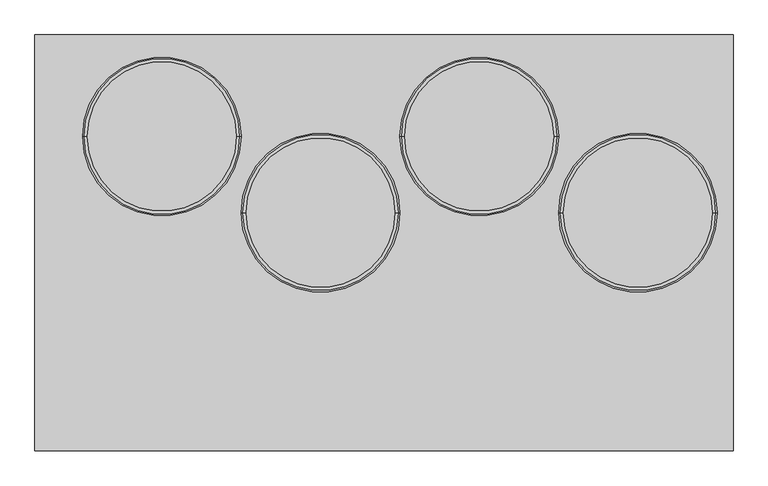
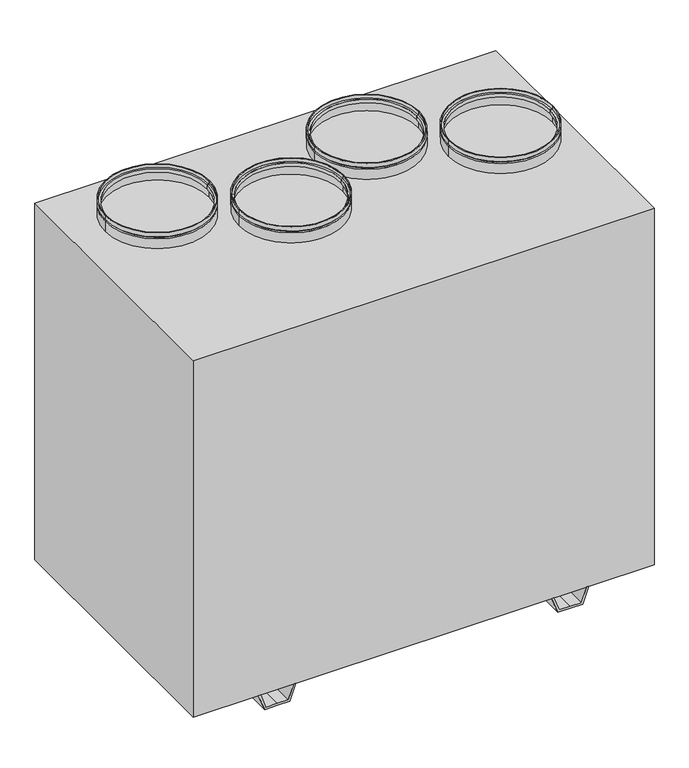
"""IFC4 building model written with IfcOpenShell, lengths in millimetres: proxy geometry."""

from ifc_helpers import new_model, si_unit, frame, origin, place, context, project, spatial, polyline, circle_curve, outline, extrude, source, transform, mapped, element, save
from ifc_brep_helpers import plane_surface, cylinder_surface, revolved_surface, advanced_brep


def mechanical_equipment_a4d120f9(model_context):
    return source(origin(), model_context, "Body", "SolidModel", [
        advanced_brep(
        [(525.0, 47.5, 970.0), (275.0, 47.5, 970.0), (275.0, 47.5, 980.0), (525.0, 47.5, 980.0), (520.0, 47.5, 970.0), (280.0, 47.5, 970.0), (520.0, 47.5, 965.0), (280.0, 47.5, 965.0), (525.0, 47.5, 965.0), (275.0, 47.5, 965.0), (525.0, 47.5, 940.0), (275.0, 47.5, 940.0), (523.0, 47.5, 940.0), (277.0, 47.5, 940.0), (523.0, 47.5, 963.0), (277.0, 47.5, 963.0), (518.0, 47.5, 963.0), (282.0, 47.5, 963.0), (518.0, 47.5, 972.0), (282.0, 47.5, 972.0), (523.0, 47.5, 972.0), (277.0, 47.5, 972.0), (523.0, 47.5, 980.0), (277.0, 47.5, 980.0)],
        [
            (0, 1, circle_curve(frame((400.0, 47.5, 970.0), z_axis=(0.0, 0.0, 1.0), x_axis=(-1.0, 0.0, 0.0)), 125.0)),
            (1, 2),
            (2, 3, circle_curve(frame((400.0, 47.5, 980.0), z_axis=(0.0, 0.0, -1.0), x_axis=(-1.0, 0.0, 0.0)), 125.0)),
            (3, 0),
            (1, 0, circle_curve(frame((400.0, 47.5, 970.0), z_axis=(0.0, 0.0, 1.0), x_axis=(-1.0, 0.0, 0.0)), 125.0)),
            (3, 2, circle_curve(frame((400.0, 47.5, 980.0), z_axis=(0.0, 0.0, -1.0), x_axis=(-1.0, 0.0, 0.0)), 125.0)),
            (4, 5, circle_curve(frame((400.0, 47.5, 970.0), z_axis=(0.0, 0.0, 1.0), x_axis=(-1.0, 0.0, 0.0)), 120.0)),
            (5, 1),
            (0, 4),
            (5, 4, circle_curve(frame((400.0, 47.5, 970.0), z_axis=(0.0, 0.0, 1.0), x_axis=(-1.0, 0.0, 0.0)), 120.0)),
            (6, 7, circle_curve(frame((400.0, 47.5, 965.0), z_axis=(0.0, 0.0, 1.0), x_axis=(-1.0, 0.0, 0.0)), 120.0)),
            (7, 5),
            (4, 6),
            (7, 6, circle_curve(frame((400.0, 47.5, 965.0), z_axis=(0.0, 0.0, 1.0), x_axis=(-1.0, 0.0, 0.0)), 120.0)),
            (8, 9, circle_curve(frame((400.0, 47.5, 965.0), z_axis=(0.0, 0.0, 1.0), x_axis=(-1.0, 0.0, 0.0)), 125.0)),
            (9, 7),
            (6, 8),
            (9, 8, circle_curve(frame((400.0, 47.5, 965.0), z_axis=(0.0, 0.0, 1.0), x_axis=(-1.0, 0.0, 0.0)), 125.0)),
            (10, 11, circle_curve(frame((400.0, 47.5, 940.0), z_axis=(0.0, 0.0, 1.0), x_axis=(-1.0, 0.0, 0.0)), 125.0)),
            (11, 9),
            (8, 10),
            (11, 10, circle_curve(frame((400.0, 47.5, 940.0), z_axis=(0.0, 0.0, 1.0), x_axis=(-1.0, 0.0, 0.0)), 125.0)),
            (12, 13, circle_curve(frame((400.0, 47.5, 940.0), z_axis=(0.0, 0.0, 1.0), x_axis=(-1.0, 0.0, 0.0)), 123.0)),
            (13, 11),
            (10, 12),
            (13, 12, circle_curve(frame((400.0, 47.5, 940.0), z_axis=(0.0, 0.0, 1.0), x_axis=(-1.0, 0.0, 0.0)), 123.0)),
            (14, 15, circle_curve(frame((400.0, 47.5, 963.0), z_axis=(0.0, 0.0, 1.0), x_axis=(-1.0, 0.0, 0.0)), 123.0)),
            (15, 13),
            (12, 14),
            (15, 14, circle_curve(frame((400.0, 47.5, 963.0), z_axis=(0.0, 0.0, 1.0), x_axis=(-1.0, 0.0, 0.0)), 123.0)),
            (16, 17, circle_curve(frame((400.0, 47.5, 963.0), z_axis=(0.0, 0.0, 1.0), x_axis=(-1.0, 0.0, 0.0)), 118.0)),
            (17, 15),
            (14, 16),
            (17, 16, circle_curve(frame((400.0, 47.5, 963.0), z_axis=(0.0, 0.0, 1.0), x_axis=(-1.0, 0.0, 0.0)), 118.0)),
            (18, 19, circle_curve(frame((400.0, 47.5, 972.0), z_axis=(0.0, 0.0, 1.0), x_axis=(-1.0, 0.0, 0.0)), 118.0)),
            (19, 17),
            (16, 18),
            (19, 18, circle_curve(frame((400.0, 47.5, 972.0), z_axis=(0.0, 0.0, 1.0), x_axis=(-1.0, 0.0, 0.0)), 118.0)),
            (20, 21, circle_curve(frame((400.0, 47.5, 972.0), z_axis=(0.0, 0.0, 1.0), x_axis=(-1.0, 0.0, 0.0)), 123.0)),
            (21, 19),
            (18, 20),
            (21, 20, circle_curve(frame((400.0, 47.5, 972.0), z_axis=(0.0, 0.0, 1.0), x_axis=(-1.0, 0.0, 0.0)), 123.0)),
            (22, 23, circle_curve(frame((400.0, 47.5, 980.0), z_axis=(0.0, 0.0, 1.0), x_axis=(-1.0, 0.0, 0.0)), 123.0)),
            (23, 21),
            (20, 22),
            (23, 22, circle_curve(frame((400.0, 47.5, 980.0), z_axis=(0.0, 0.0, 1.0), x_axis=(-1.0, 0.0, 0.0)), 123.0)),
            (2, 23),
            (22, 3),
        ],
        [
            cylinder_surface(frame((400.0, 47.5, 2515.0440172), z_axis=(0.0, 0.0, -1.0), x_axis=(-1.0, 0.0, 0.0)), 125.0),
            plane_surface(frame((400.0, 47.5, 970.0), z_axis=(0.0, 0.0, -1.0), x_axis=(-1.0, 0.0, 0.0))),
            cylinder_surface(frame((400.0, 47.5, 2515.0440172), z_axis=(0.0, 0.0, -1.0), x_axis=(-1.0, 0.0, 0.0)), 120.0),
            plane_surface(frame((400.0, 47.5, 965.0), z_axis=(0.0, 0.0, 1.0), x_axis=(-1.0, 0.0, 0.0))),
            plane_surface(frame((400.0, 47.5, 940.0), z_axis=(0.0, 0.0, -1.0), x_axis=(-1.0, 0.0, 0.0))),
            revolved_surface(polyline([(277.0, 47.5, 940.0), (277.0, 47.5, 963.0)]), (400.0, 47.5, 2515.0440172), (0.0, 0.0, -1.0)),
            plane_surface(frame((400.0, 47.5, 963.0), z_axis=(0.0, 0.0, -1.0), x_axis=(-1.0, 0.0, 0.0))),
            revolved_surface(polyline([(282.0, 47.5, 963.0), (282.0, 47.5, 972.0)]), (400.0, 47.5, 2515.0440172), (0.0, 0.0, -1.0)),
            plane_surface(frame((400.0, 47.5, 972.0), z_axis=(0.0, 0.0, 1.0), x_axis=(-1.0, 0.0, 0.0))),
            revolved_surface(polyline([(277.0, 47.5, 972.0), (277.0, 47.5, 980.0)]), (400.0, 47.5, 2515.0440172), (0.0, 0.0, -1.0)),
            plane_surface(frame((400.0, 47.5, 980.0), z_axis=(0.0, 0.0, 1.0), x_axis=(-1.0, 0.0, 0.0))),
        ],
        [
            (0, [[1, 2, 3, 4]]),
            (0, [[5, -4, 6, -2]]),
            (1, [[7, 8, -1, 9]]),
            (1, [[10, -9, -5, -8]]),
            (2, [[11, 12, -7, 13]]),
            (2, [[14, -13, -10, -12]]),
            (3, [[15, 16, -11, 17]]),
            (3, [[18, -17, -14, -16]]),
            (0, [[19, 20, -15, 21]]),
            (0, [[22, -21, -18, -20]]),
            (4, [[23, 24, -19, 25]]),
            (4, [[26, -25, -22, -24]]),
            (5, [[27, 28, -23, 29]]),
            (5, [[30, -29, -26, -28]]),
            (6, [[31, 32, -27, 33]]),
            (6, [[34, -33, -30, -32]]),
            (7, [[35, 36, -31, 37]]),
            (7, [[38, -37, -34, -36]]),
            (8, [[39, 40, -35, 41]]),
            (8, [[42, -41, -38, -40]]),
            (9, [[43, 44, -39, 45]]),
            (9, [[46, -45, -42, -44]]),
            (10, [[-3, 47, -43, 48]]),
            (10, [[-6, -48, -46, -47]]),
        ],
    ),
        advanced_brep(
        [(275.0, 167.5, 970.0), (25.0, 167.5, 970.0), (25.0, 167.5, 980.0), (275.0, 167.5, 980.0), (270.0, 167.5, 970.0), (30.0, 167.5, 970.0), (270.0, 167.5, 965.0), (30.0, 167.5, 965.0), (275.0, 167.5, 965.0), (25.0, 167.5, 965.0), (275.0, 167.5, 940.0), (25.0, 167.5, 940.0), (273.0, 167.5, 940.0), (27.0, 167.5, 940.0), (273.0, 167.5, 963.0), (27.0, 167.5, 963.0), (268.0, 167.5, 963.0), (32.0, 167.5, 963.0), (268.0, 167.5, 972.0), (32.0, 167.5, 972.0), (273.0, 167.5, 972.0), (27.0, 167.5, 972.0), (273.0, 167.5, 980.0), (27.0, 167.5, 980.0)],
        [
            (0, 1, circle_curve(frame((150.0, 167.5, 970.0), z_axis=(0.0, 0.0, 1.0), x_axis=(-1.0, 0.0, 0.0)), 125.0)),
            (1, 2),
            (2, 3, circle_curve(frame((150.0, 167.5, 980.0), z_axis=(0.0, 0.0, -1.0), x_axis=(-1.0, 0.0, 0.0)), 125.0)),
            (3, 0),
            (1, 0, circle_curve(frame((150.0, 167.5, 970.0), z_axis=(0.0, 0.0, 1.0), x_axis=(-1.0, 0.0, 0.0)), 125.0)),
            (3, 2, circle_curve(frame((150.0, 167.5, 980.0), z_axis=(0.0, 0.0, -1.0), x_axis=(-1.0, 0.0, 0.0)), 125.0)),
            (4, 5, circle_curve(frame((150.0, 167.5, 970.0), z_axis=(0.0, 0.0, 1.0), x_axis=(-1.0, 0.0, 0.0)), 120.0)),
            (5, 1),
            (0, 4),
            (5, 4, circle_curve(frame((150.0, 167.5, 970.0), z_axis=(0.0, 0.0, 1.0), x_axis=(-1.0, 0.0, 0.0)), 120.0)),
            (6, 7, circle_curve(frame((150.0, 167.5, 965.0), z_axis=(0.0, 0.0, 1.0), x_axis=(-1.0, 0.0, 0.0)), 120.0)),
            (7, 5),
            (4, 6),
            (7, 6, circle_curve(frame((150.0, 167.5, 965.0), z_axis=(0.0, 0.0, 1.0), x_axis=(-1.0, 0.0, 0.0)), 120.0)),
            (8, 9, circle_curve(frame((150.0, 167.5, 965.0), z_axis=(0.0, 0.0, 1.0), x_axis=(-1.0, 0.0, 0.0)), 125.0)),
            (9, 7),
            (6, 8),
            (9, 8, circle_curve(frame((150.0, 167.5, 965.0), z_axis=(0.0, 0.0, 1.0), x_axis=(-1.0, 0.0, 0.0)), 125.0)),
            (10, 11, circle_curve(frame((150.0, 167.5, 940.0), z_axis=(0.0, 0.0, 1.0), x_axis=(-1.0, 0.0, 0.0)), 125.0)),
            (11, 9),
            (8, 10),
            (11, 10, circle_curve(frame((150.0, 167.5, 940.0), z_axis=(0.0, 0.0, 1.0), x_axis=(-1.0, 0.0, 0.0)), 125.0)),
            (12, 13, circle_curve(frame((150.0, 167.5, 940.0), z_axis=(0.0, 0.0, 1.0), x_axis=(-1.0, 0.0, 0.0)), 123.0)),
            (13, 11),
            (10, 12),
            (13, 12, circle_curve(frame((150.0, 167.5, 940.0), z_axis=(0.0, 0.0, 1.0), x_axis=(-1.0, 0.0, 0.0)), 123.0)),
            (14, 15, circle_curve(frame((150.0, 167.5, 963.0), z_axis=(0.0, 0.0, 1.0), x_axis=(-1.0, 0.0, 0.0)), 123.0)),
            (15, 13),
            (12, 14),
            (15, 14, circle_curve(frame((150.0, 167.5, 963.0), z_axis=(0.0, 0.0, 1.0), x_axis=(-1.0, 0.0, 0.0)), 123.0)),
            (16, 17, circle_curve(frame((150.0, 167.5, 963.0), z_axis=(0.0, 0.0, 1.0), x_axis=(-1.0, 0.0, 0.0)), 118.0)),
            (17, 15),
            (14, 16),
            (17, 16, circle_curve(frame((150.0, 167.5, 963.0), z_axis=(0.0, 0.0, 1.0), x_axis=(-1.0, 0.0, 0.0)), 118.0)),
            (18, 19, circle_curve(frame((150.0, 167.5, 972.0), z_axis=(0.0, 0.0, 1.0), x_axis=(-1.0, 0.0, 0.0)), 118.0)),
            (19, 17),
            (16, 18),
            (19, 18, circle_curve(frame((150.0, 167.5, 972.0), z_axis=(0.0, 0.0, 1.0), x_axis=(-1.0, 0.0, 0.0)), 118.0)),
            (20, 21, circle_curve(frame((150.0, 167.5, 972.0), z_axis=(0.0, 0.0, 1.0), x_axis=(-1.0, 0.0, 0.0)), 123.0)),
            (21, 19),
            (18, 20),
            (21, 20, circle_curve(frame((150.0, 167.5, 972.0), z_axis=(0.0, 0.0, 1.0), x_axis=(-1.0, 0.0, 0.0)), 123.0)),
            (22, 23, circle_curve(frame((150.0, 167.5, 980.0), z_axis=(0.0, 0.0, 1.0), x_axis=(-1.0, 0.0, 0.0)), 123.0)),
            (23, 21),
            (20, 22),
            (23, 22, circle_curve(frame((150.0, 167.5, 980.0), z_axis=(0.0, 0.0, 1.0), x_axis=(-1.0, 0.0, 0.0)), 123.0)),
            (2, 23),
            (22, 3),
        ],
        [
            cylinder_surface(frame((150.0, 167.5, 2515.0440172), z_axis=(0.0, 0.0, -1.0), x_axis=(-1.0, 0.0, 0.0)), 125.0),
            plane_surface(frame((150.0, 167.5, 970.0), z_axis=(0.0, 0.0, -1.0), x_axis=(-1.0, 0.0, 0.0))),
            cylinder_surface(frame((150.0, 167.5, 2515.0440172), z_axis=(0.0, 0.0, -1.0), x_axis=(-1.0, 0.0, 0.0)), 120.0),
            plane_surface(frame((150.0, 167.5, 965.0), z_axis=(0.0, 0.0, 1.0), x_axis=(-1.0, 0.0, 0.0))),
            plane_surface(frame((150.0, 167.5, 940.0), z_axis=(0.0, 0.0, -1.0), x_axis=(-1.0, 0.0, 0.0))),
            revolved_surface(polyline([(27.0, 167.5, 940.0), (27.0, 167.5, 963.0)]), (150.0, 167.5, 2515.0440172), (0.0, 0.0, -1.0)),
            plane_surface(frame((150.0, 167.5, 963.0), z_axis=(0.0, 0.0, -1.0), x_axis=(-1.0, 0.0, 0.0))),
            revolved_surface(polyline([(32.0, 167.5, 963.0), (32.0, 167.5, 972.0)]), (150.0, 167.5, 2515.0440172), (0.0, 0.0, -1.0)),
            plane_surface(frame((150.0, 167.5, 972.0), z_axis=(0.0, 0.0, 1.0), x_axis=(-1.0, 0.0, 0.0))),
            revolved_surface(polyline([(27.0, 167.5, 972.0), (27.0, 167.5, 980.0)]), (150.0, 167.5, 2515.0440172), (0.0, 0.0, -1.0)),
            plane_surface(frame((150.0, 167.5, 980.0), z_axis=(0.0, 0.0, 1.0), x_axis=(-1.0, 0.0, 0.0))),
        ],
        [
            (0, [[1, 2, 3, 4]]),
            (0, [[5, -4, 6, -2]]),
            (1, [[7, 8, -1, 9]]),
            (1, [[10, -9, -5, -8]]),
            (2, [[11, 12, -7, 13]]),
            (2, [[14, -13, -10, -12]]),
            (3, [[15, 16, -11, 17]]),
            (3, [[18, -17, -14, -16]]),
            (0, [[19, 20, -15, 21]]),
            (0, [[22, -21, -18, -20]]),
            (4, [[23, 24, -19, 25]]),
            (4, [[26, -25, -22, -24]]),
            (5, [[27, 28, -23, 29]]),
            (5, [[30, -29, -26, -28]]),
            (6, [[31, 32, -27, 33]]),
            (6, [[34, -33, -30, -32]]),
            (7, [[35, 36, -31, 37]]),
            (7, [[38, -37, -34, -36]]),
            (8, [[39, 40, -35, 41]]),
            (8, [[42, -41, -38, -40]]),
            (9, [[43, 44, -39, 45]]),
            (9, [[46, -45, -42, -44]]),
            (10, [[-3, 47, -43, 48]]),
            (10, [[-6, -48, -46, -47]]),
        ],
    ),
        advanced_brep(
        [(25.0, 47.5, 970.0), (-225.0, 47.5, 970.0), (-225.0, 47.5, 980.0), (25.0, 47.5, 980.0), (20.0, 47.5, 970.0), (-220.0, 47.5, 970.0), (20.0, 47.5, 965.0), (-220.0, 47.5, 965.0), (25.0, 47.5, 965.0), (-225.0, 47.5, 965.0), (25.0, 47.5, 940.0), (-225.0, 47.5, 940.0), (23.0, 47.5, 940.0), (-223.0, 47.5, 940.0), (23.0, 47.5, 963.0), (-223.0, 47.5, 963.0), (18.0, 47.5, 963.0), (-218.0, 47.5, 963.0), (18.0, 47.5, 972.0), (-218.0, 47.5, 972.0), (23.0, 47.5, 972.0), (-223.0, 47.5, 972.0), (23.0, 47.5, 980.0), (-223.0, 47.5, 980.0)],
        [
            (0, 1, circle_curve(frame((-100.0, 47.5, 970.0), z_axis=(0.0, 0.0, 1.0), x_axis=(-1.0, 0.0, 0.0)), 125.0)),
            (1, 2),
            (2, 3, circle_curve(frame((-100.0, 47.5, 980.0), z_axis=(0.0, 0.0, -1.0), x_axis=(-1.0, 0.0, 0.0)), 125.0)),
            (3, 0),
            (1, 0, circle_curve(frame((-100.0, 47.5, 970.0), z_axis=(0.0, 0.0, 1.0), x_axis=(-1.0, 0.0, 0.0)), 125.0)),
            (3, 2, circle_curve(frame((-100.0, 47.5, 980.0), z_axis=(0.0, 0.0, -1.0), x_axis=(-1.0, 0.0, 0.0)), 125.0)),
            (4, 5, circle_curve(frame((-100.0, 47.5, 970.0), z_axis=(0.0, 0.0, 1.0), x_axis=(-1.0, 0.0, 0.0)), 120.0)),
            (5, 1),
            (0, 4),
            (5, 4, circle_curve(frame((-100.0, 47.5, 970.0), z_axis=(0.0, 0.0, 1.0), x_axis=(-1.0, 0.0, 0.0)), 120.0)),
            (6, 7, circle_curve(frame((-100.0, 47.5, 965.0), z_axis=(0.0, 0.0, 1.0), x_axis=(-1.0, 0.0, 0.0)), 120.0)),
            (7, 5),
            (4, 6),
            (7, 6, circle_curve(frame((-100.0, 47.5, 965.0), z_axis=(0.0, 0.0, 1.0), x_axis=(-1.0, 0.0, 0.0)), 120.0)),
            (8, 9, circle_curve(frame((-100.0, 47.5, 965.0), z_axis=(0.0, 0.0, 1.0), x_axis=(-1.0, 0.0, 0.0)), 125.0)),
            (9, 7),
            (6, 8),
            (9, 8, circle_curve(frame((-100.0, 47.5, 965.0), z_axis=(0.0, 0.0, 1.0), x_axis=(-1.0, 0.0, 0.0)), 125.0)),
            (10, 11, circle_curve(frame((-100.0, 47.5, 940.0), z_axis=(0.0, 0.0, 1.0), x_axis=(-1.0, 0.0, 0.0)), 125.0)),
            (11, 9),
            (8, 10),
            (11, 10, circle_curve(frame((-100.0, 47.5, 940.0), z_axis=(0.0, 0.0, 1.0), x_axis=(-1.0, 0.0, 0.0)), 125.0)),
            (12, 13, circle_curve(frame((-100.0, 47.5, 940.0), z_axis=(0.0, 0.0, 1.0), x_axis=(-1.0, 0.0, 0.0)), 123.0)),
            (13, 11),
            (10, 12),
            (13, 12, circle_curve(frame((-100.0, 47.5, 940.0), z_axis=(0.0, 0.0, 1.0), x_axis=(-1.0, 0.0, 0.0)), 123.0)),
            (14, 15, circle_curve(frame((-100.0, 47.5, 963.0), z_axis=(0.0, 0.0, 1.0), x_axis=(-1.0, 0.0, 0.0)), 123.0)),
            (15, 13),
            (12, 14),
            (15, 14, circle_curve(frame((-100.0, 47.5, 963.0), z_axis=(0.0, 0.0, 1.0), x_axis=(-1.0, 0.0, 0.0)), 123.0)),
            (16, 17, circle_curve(frame((-100.0, 47.5, 963.0), z_axis=(0.0, 0.0, 1.0), x_axis=(-1.0, 0.0, 0.0)), 118.0)),
            (17, 15),
            (14, 16),
            (17, 16, circle_curve(frame((-100.0, 47.5, 963.0), z_axis=(0.0, 0.0, 1.0), x_axis=(-1.0, 0.0, 0.0)), 118.0)),
            (18, 19, circle_curve(frame((-100.0, 47.5, 972.0), z_axis=(0.0, 0.0, 1.0), x_axis=(-1.0, 0.0, 0.0)), 118.0)),
            (19, 17),
            (16, 18),
            (19, 18, circle_curve(frame((-100.0, 47.5, 972.0), z_axis=(0.0, 0.0, 1.0), x_axis=(-1.0, 0.0, 0.0)), 118.0)),
            (20, 21, circle_curve(frame((-100.0, 47.5, 972.0), z_axis=(0.0, 0.0, 1.0), x_axis=(-1.0, 0.0, 0.0)), 123.0)),
            (21, 19),
            (18, 20),
            (21, 20, circle_curve(frame((-100.0, 47.5, 972.0), z_axis=(0.0, 0.0, 1.0), x_axis=(-1.0, 0.0, 0.0)), 123.0)),
            (22, 23, circle_curve(frame((-100.0, 47.5, 980.0), z_axis=(0.0, 0.0, 1.0), x_axis=(-1.0, 0.0, 0.0)), 123.0)),
            (23, 21),
            (20, 22),
            (23, 22, circle_curve(frame((-100.0, 47.5, 980.0), z_axis=(0.0, 0.0, 1.0), x_axis=(-1.0, 0.0, 0.0)), 123.0)),
            (2, 23),
            (22, 3),
        ],
        [
            cylinder_surface(frame((-100.0, 47.5, 2515.0440172), z_axis=(0.0, 0.0, -1.0), x_axis=(-1.0, 0.0, 0.0)), 125.0),
            plane_surface(frame((-100.0, 47.5, 970.0), z_axis=(0.0, 0.0, -1.0), x_axis=(-1.0, 0.0, 0.0))),
            cylinder_surface(frame((-100.0, 47.5, 2515.0440172), z_axis=(0.0, 0.0, -1.0), x_axis=(-1.0, 0.0, 0.0)), 120.0),
            plane_surface(frame((-100.0, 47.5, 965.0), z_axis=(0.0, 0.0, 1.0), x_axis=(-1.0, 0.0, 0.0))),
            plane_surface(frame((-100.0, 47.5, 940.0), z_axis=(0.0, 0.0, -1.0), x_axis=(-1.0, 0.0, 0.0))),
            revolved_surface(polyline([(-223.0, 47.5, 940.0), (-223.0, 47.5, 963.0)]), (-100.0, 47.5, 2515.0440172), (0.0, 0.0, -1.0)),
            plane_surface(frame((-100.0, 47.5, 963.0), z_axis=(0.0, 0.0, -1.0), x_axis=(-1.0, 0.0, 0.0))),
            revolved_surface(polyline([(-218.0, 47.5, 963.0), (-218.0, 47.5, 972.0)]), (-100.0, 47.5, 2515.0440172), (0.0, 0.0, -1.0)),
            plane_surface(frame((-100.0, 47.5, 972.0), z_axis=(0.0, 0.0, 1.0), x_axis=(-1.0, 0.0, 0.0))),
            revolved_surface(polyline([(-223.0, 47.5, 972.0), (-223.0, 47.5, 980.0)]), (-100.0, 47.5, 2515.0440172), (0.0, 0.0, -1.0)),
            plane_surface(frame((-100.0, 47.5, 980.0), z_axis=(0.0, 0.0, 1.0), x_axis=(-1.0, 0.0, 0.0))),
        ],
        [
            (0, [[1, 2, 3, 4]]),
            (0, [[5, -4, 6, -2]]),
            (1, [[7, 8, -1, 9]]),
            (1, [[10, -9, -5, -8]]),
            (2, [[11, 12, -7, 13]]),
            (2, [[14, -13, -10, -12]]),
            (3, [[15, 16, -11, 17]]),
            (3, [[18, -17, -14, -16]]),
            (0, [[19, 20, -15, 21]]),
            (0, [[22, -21, -18, -20]]),
            (4, [[23, 24, -19, 25]]),
            (4, [[26, -25, -22, -24]]),
            (5, [[27, 28, -23, 29]]),
            (5, [[30, -29, -26, -28]]),
            (6, [[31, 32, -27, 33]]),
            (6, [[34, -33, -30, -32]]),
            (7, [[35, 36, -31, 37]]),
            (7, [[38, -37, -34, -36]]),
            (8, [[39, 40, -35, 41]]),
            (8, [[42, -41, -38, -40]]),
            (9, [[43, 44, -39, 45]]),
            (9, [[46, -45, -42, -44]]),
            (10, [[-3, 47, -43, 48]]),
            (10, [[-6, -48, -46, -47]]),
        ],
    ),
        advanced_brep(
        [(-225.0, 167.5, 970.0), (-475.0, 167.5, 970.0), (-475.0, 167.5, 980.0), (-225.0, 167.5, 980.0), (-230.0, 167.5, 970.0), (-470.0, 167.5, 970.0), (-230.0, 167.5, 965.0), (-470.0, 167.5, 965.0), (-225.0, 167.5, 965.0), (-475.0, 167.5, 965.0), (-225.0, 167.5, 940.0), (-475.0, 167.5, 940.0), (-227.0, 167.5, 940.0), (-473.0, 167.5, 940.0), (-227.0, 167.5, 963.0), (-473.0, 167.5, 963.0), (-232.0, 167.5, 963.0), (-468.0, 167.5, 963.0), (-232.0, 167.5, 972.0), (-468.0, 167.5, 972.0), (-227.0, 167.5, 972.0), (-473.0, 167.5, 972.0), (-227.0, 167.5, 980.0), (-473.0, 167.5, 980.0)],
        [
            (0, 1, circle_curve(frame((-350.0, 167.5, 970.0), z_axis=(0.0, 0.0, 1.0), x_axis=(-1.0, 0.0, 0.0)), 125.0)),
            (1, 2),
            (2, 3, circle_curve(frame((-350.0, 167.5, 980.0), z_axis=(0.0, 0.0, -1.0), x_axis=(-1.0, 0.0, 0.0)), 125.0)),
            (3, 0),
            (1, 0, circle_curve(frame((-350.0, 167.5, 970.0), z_axis=(0.0, 0.0, 1.0), x_axis=(-1.0, 0.0, 0.0)), 125.0)),
            (3, 2, circle_curve(frame((-350.0, 167.5, 980.0), z_axis=(0.0, 0.0, -1.0), x_axis=(-1.0, 0.0, 0.0)), 125.0)),
            (4, 5, circle_curve(frame((-350.0, 167.5, 970.0), z_axis=(0.0, 0.0, 1.0), x_axis=(-1.0, 0.0, 0.0)), 120.0)),
            (5, 1),
            (0, 4),
            (5, 4, circle_curve(frame((-350.0, 167.5, 970.0), z_axis=(0.0, 0.0, 1.0), x_axis=(-1.0, 0.0, 0.0)), 120.0)),
            (6, 7, circle_curve(frame((-350.0, 167.5, 965.0), z_axis=(0.0, 0.0, 1.0), x_axis=(-1.0, 0.0, 0.0)), 120.0)),
            (7, 5),
            (4, 6),
            (7, 6, circle_curve(frame((-350.0, 167.5, 965.0), z_axis=(0.0, 0.0, 1.0), x_axis=(-1.0, 0.0, 0.0)), 120.0)),
            (8, 9, circle_curve(frame((-350.0, 167.5, 965.0), z_axis=(0.0, 0.0, 1.0), x_axis=(-1.0, 0.0, 0.0)), 125.0)),
            (9, 7),
            (6, 8),
            (9, 8, circle_curve(frame((-350.0, 167.5, 965.0), z_axis=(0.0, 0.0, 1.0), x_axis=(-1.0, 0.0, 0.0)), 125.0)),
            (10, 11, circle_curve(frame((-350.0, 167.5, 940.0), z_axis=(0.0, 0.0, 1.0), x_axis=(-1.0, 0.0, 0.0)), 125.0)),
            (11, 9),
            (8, 10),
            (11, 10, circle_curve(frame((-350.0, 167.5, 940.0), z_axis=(0.0, 0.0, 1.0), x_axis=(-1.0, 0.0, 0.0)), 125.0)),
            (12, 13, circle_curve(frame((-350.0, 167.5, 940.0), z_axis=(0.0, 0.0, 1.0), x_axis=(-1.0, 0.0, 0.0)), 123.0)),
            (13, 11),
            (10, 12),
            (13, 12, circle_curve(frame((-350.0, 167.5, 940.0), z_axis=(0.0, 0.0, 1.0), x_axis=(-1.0, 0.0, 0.0)), 123.0)),
            (14, 15, circle_curve(frame((-350.0, 167.5, 963.0), z_axis=(0.0, 0.0, 1.0), x_axis=(-1.0, 0.0, 0.0)), 123.0)),
            (15, 13),
            (12, 14),
            (15, 14, circle_curve(frame((-350.0, 167.5, 963.0), z_axis=(0.0, 0.0, 1.0), x_axis=(-1.0, 0.0, 0.0)), 123.0)),
            (16, 17, circle_curve(frame((-350.0, 167.5, 963.0), z_axis=(0.0, 0.0, 1.0), x_axis=(-1.0, 0.0, 0.0)), 118.0)),
            (17, 15),
            (14, 16),
            (17, 16, circle_curve(frame((-350.0, 167.5, 963.0), z_axis=(0.0, 0.0, 1.0), x_axis=(-1.0, 0.0, 0.0)), 118.0)),
            (18, 19, circle_curve(frame((-350.0, 167.5, 972.0), z_axis=(0.0, 0.0, 1.0), x_axis=(-1.0, 0.0, 0.0)), 118.0)),
            (19, 17),
            (16, 18),
            (19, 18, circle_curve(frame((-350.0, 167.5, 972.0), z_axis=(0.0, 0.0, 1.0), x_axis=(-1.0, 0.0, 0.0)), 118.0)),
            (20, 21, circle_curve(frame((-350.0, 167.5, 972.0), z_axis=(0.0, 0.0, 1.0), x_axis=(-1.0, 0.0, 0.0)), 123.0)),
            (21, 19),
            (18, 20),
            (21, 20, circle_curve(frame((-350.0, 167.5, 972.0), z_axis=(0.0, 0.0, 1.0), x_axis=(-1.0, 0.0, 0.0)), 123.0)),
            (22, 23, circle_curve(frame((-350.0, 167.5, 980.0), z_axis=(0.0, 0.0, 1.0), x_axis=(-1.0, 0.0, 0.0)), 123.0)),
            (23, 21),
            (20, 22),
            (23, 22, circle_curve(frame((-350.0, 167.5, 980.0), z_axis=(0.0, 0.0, 1.0), x_axis=(-1.0, 0.0, 0.0)), 123.0)),
            (2, 23),
            (22, 3),
        ],
        [
            cylinder_surface(frame((-350.0, 167.5, 2515.0440172), z_axis=(0.0, 0.0, -1.0), x_axis=(-1.0, 0.0, 0.0)), 125.0),
            plane_surface(frame((-350.0, 167.5, 970.0), z_axis=(0.0, 0.0, -1.0), x_axis=(-1.0, 0.0, 0.0))),
            cylinder_surface(frame((-350.0, 167.5, 2515.0440172), z_axis=(0.0, 0.0, -1.0), x_axis=(-1.0, 0.0, 0.0)), 120.0),
            plane_surface(frame((-350.0, 167.5, 965.0), z_axis=(0.0, 0.0, 1.0), x_axis=(-1.0, 0.0, 0.0))),
            plane_surface(frame((-350.0, 167.5, 940.0), z_axis=(0.0, 0.0, -1.0), x_axis=(-1.0, 0.0, 0.0))),
            revolved_surface(polyline([(-473.0, 167.5, 940.0), (-473.0, 167.5, 963.0)]), (-350.0, 167.5, 2515.0440172), (0.0, 0.0, -1.0)),
            plane_surface(frame((-350.0, 167.5, 963.0), z_axis=(0.0, 0.0, -1.0), x_axis=(-1.0, 0.0, 0.0))),
            revolved_surface(polyline([(-468.0, 167.5, 963.0), (-468.0, 167.5, 972.0)]), (-350.0, 167.5, 2515.0440172), (0.0, 0.0, -1.0)),
            plane_surface(frame((-350.0, 167.5, 972.0), z_axis=(0.0, 0.0, 1.0), x_axis=(-1.0, 0.0, 0.0))),
            revolved_surface(polyline([(-473.0, 167.5, 972.0), (-473.0, 167.5, 980.0)]), (-350.0, 167.5, 2515.0440172), (0.0, 0.0, -1.0)),
            plane_surface(frame((-350.0, 167.5, 980.0), z_axis=(0.0, 0.0, 1.0), x_axis=(-1.0, 0.0, 0.0))),
        ],
        [
            (0, [[1, 2, 3, 4]]),
            (0, [[5, -4, 6, -2]]),
            (1, [[7, 8, -1, 9]]),
            (1, [[10, -9, -5, -8]]),
            (2, [[11, 12, -7, 13]]),
            (2, [[14, -13, -10, -12]]),
            (3, [[15, 16, -11, 17]]),
            (3, [[18, -17, -14, -16]]),
            (0, [[19, 20, -15, 21]]),
            (0, [[22, -21, -18, -20]]),
            (4, [[23, 24, -19, 25]]),
            (4, [[26, -25, -22, -24]]),
            (5, [[27, 28, -23, 29]]),
            (5, [[30, -29, -26, -28]]),
            (6, [[31, 32, -27, 33]]),
            (6, [[34, -33, -30, -32]]),
            (7, [[35, 36, -31, 37]]),
            (7, [[38, -37, -34, -36]]),
            (8, [[39, 40, -35, 41]]),
            (8, [[42, -41, -38, -40]]),
            (9, [[43, 44, -39, 45]]),
            (9, [[46, -45, -42, -44]]),
            (10, [[-3, 47, -43, 48]]),
            (10, [[-6, -48, -46, -47]]),
        ],
    ),
        extrude(outline(polyline([(0.0, 380.0), (40.0, 394.5588094), (40.0, 389.2379205), (5.0, 376.4989623), (5.0, 350.0), (5.0, 323.5010377), (40.0, 310.7620795), (40.0, 305.4411906), (0.0, 320.0), (0.0, 350.0), (0.0, 380.0)])), frame((0.0, -327.5, 0.0), z_axis=(0.0, 1.0, 0.0), x_axis=(0.0, 0.0, 1.0)), (0.0, 0.0, 1.0), 655.0),
        extrude(outline(polyline([(0.0, -320.0), (40.0, -305.4411906), (40.0, -310.7620795), (5.0, -323.5010377), (5.0, -350.0), (5.0, -376.4989623), (40.0, -389.2379205), (40.0, -394.5588094), (0.0, -380.0), (0.0, -350.0), (0.0, -320.0)])), frame((0.0, -327.5, 0.0), z_axis=(0.0, 1.0, 0.0), x_axis=(0.0, 0.0, 1.0)), (0.0, 0.0, 1.0), 655.0),
        extrude(outline(polyline([(-550.0, 327.5), (550.0, 327.5), (550.0, -327.5), (-550.0, -327.5), (-550.0, 327.5)])), frame((0.0, 0.0, 40.0), z_axis=(0.0, 0.0, 1.0), x_axis=(1.0, 0.0, 0.0)), (0.0, 0.0, 1.0), 900.0),
    ])


if __name__ == "__main__":
    model = new_model("IFC4")
    model_context = context("Model", 3, world=origin())
    ifc_project = project(units=[si_unit("LENGTHUNIT", "METRE", prefix="MILLI")], contexts=[model_context])
    site = spatial("IfcSite", under=ifc_project)
    building = spatial("IfcBuilding", under=site)
    placement = place(None, origin())
    mechanical_equipment_shape = mechanical_equipment_a4d120f9(model_context)
    element("IfcBuildingElementProxy", 1, Name="Mechanical Equipment", at=placement, inside=building, context=model_context, shape_type="MappedRepresentation", body=[
        mapped(mechanical_equipment_shape, transform((0.0, 0.0, 0.0), x_axis=(1.0, 0.0, 0.0), y_axis=(0.0, 1.0, 0.0), z_axis=(0.0, 0.0, 1.0))),
    ])
    save(model, "model.ifc")
